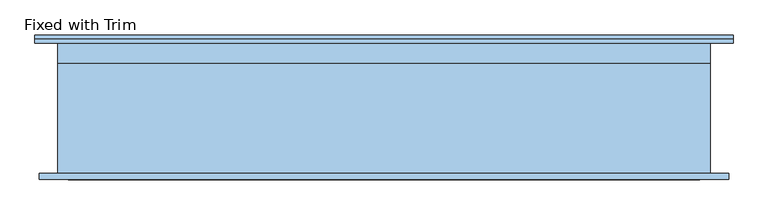
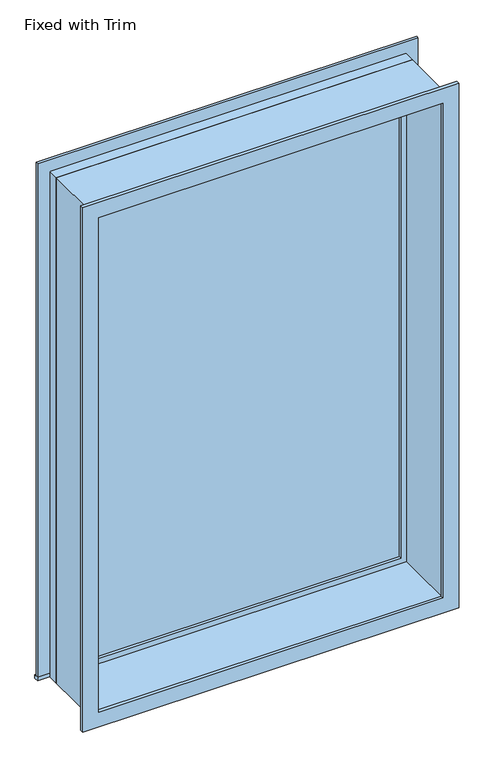
"""IFC4 building model written with IfcOpenShell, lengths in millimetres: window geometry, Fixed with Trim."""

from ifc_helpers import new_model, si_unit, frame, origin, place, context, project, spatial, polyline, outline, extrude, source, transform, mapped, element, save


def fixed_with_trim_aa18837c(model_context):
    return source(origin(), model_context, "Body", "SweptSolid", [
        extrude(outline(polyline([(-1107.95, 225.4), (1031.75, 225.4), (1031.75, 200.0), (-1107.95, 200.0), (-1107.95, 225.4)])), frame((0.0, 0.0, 914.4), z_axis=(0.0, 0.0, 1.0), x_axis=(1.0, 0.0, 0.0)), (0.0, 0.0, 1.0), 19.05),
        extrude(outline(polyline([(3895.35, -1019.05), (3895.35, 942.85), (933.45, 942.85), (933.45, 1031.75), (3984.25, 1031.75), (3984.25, -1107.95), (933.45, -1107.95), (933.45, -1019.05), (3895.35, -1019.05)])), frame((0.0, 200.0, 0.0), z_axis=(0.0, 1.0, 0.0), x_axis=(0.0, 0.0, 1.0)), (0.0, 0.0, 1.0), 12.7),
        extrude(outline(polyline([(3971.55, 1019.05), (3971.55, -1095.25), (857.25, -1095.25), (857.25, 1019.05), (3971.55, 1019.05)]), holes=[polyline([(3882.65, 930.15), (946.15, 930.15), (946.15, -1006.35), (3882.65, -1006.35), (3882.65, 930.15)])]), frame((0.0, -219.05, 0.0), z_axis=(0.0, 1.0, 0.0), x_axis=(0.0, 0.0, 1.0)), (0.0, 0.0, 1.0), 19.05),
        extrude(outline(polyline([(898.4, 152.375), (-974.6, 152.375), (-974.6, 165.075), (898.4, 165.075), (898.4, 152.375)])), frame((0.0, 0.0, 977.9), z_axis=(0.0, 0.0, 1.0), x_axis=(1.0, 0.0, 0.0)), (0.0, 0.0, 1.0), 2873.0),
        extrude(outline(polyline([(3895.35, -1019.05), (933.45, -1019.05), (933.45, 942.85), (3895.35, 942.85), (3895.35, -1019.05)]), holes=[polyline([(3850.9, -974.6), (3850.9, 898.4), (977.9, 898.4), (977.9, -974.6), (3850.9, -974.6)])]), frame((0.0, 136.5, 0.0), z_axis=(0.0, 1.0, 0.0), x_axis=(0.0, 0.0, 1.0)), (0.0, 0.0, 1.0), 44.45),
        extrude(outline(polyline([(3914.4, -1038.1), (914.4, -1038.1), (914.4, 961.9), (3914.4, 961.9), (3914.4, -1038.1)]), holes=[polyline([(3882.65, -1006.35), (3882.65, 930.15), (946.15, 930.15), (946.15, -1006.35), (3882.65, -1006.35)])]), frame((0.0, -200.0, 0.0), z_axis=(0.0, 1.0, 0.0), x_axis=(0.0, 0.0, 1.0)), (0.0, 0.0, 1.0), 336.5),
        extrude(outline(polyline([(3914.4, 961.9), (3914.4, -1038.1), (914.4, -1038.1), (914.4, 961.9), (3914.4, 961.9)]), holes=[polyline([(3895.35, 942.85), (933.45, 942.85), (933.45, -1019.05), (3895.35, -1019.05), (3895.35, 942.85)])]), frame((0.0, 136.5, 0.0), z_axis=(0.0, 1.0, 0.0), x_axis=(0.0, 0.0, 1.0)), (0.0, 0.0, 1.0), 63.5),
    ])


if __name__ == "__main__":
    model = new_model("IFC4")
    model_context = context("Model", 3, world=origin())
    ifc_project = project(units=[si_unit("LENGTHUNIT", "METRE", prefix="MILLI")], contexts=[model_context])
    site = spatial("IfcSite", under=ifc_project)
    building = spatial("IfcBuilding", under=site)
    placement = place(None, origin())
    fixed_with_trim_shape = fixed_with_trim_aa18837c(model_context)
    element("IfcWindow", 1, ObjectType="Fixed with Trim", at=placement, inside=building, context=model_context, shape_type="MappedRepresentation", body=[
        mapped(fixed_with_trim_shape, transform((0.0, 0.0, 0.0), x_axis=(1.0, 0.0, 0.0), y_axis=(0.0, 1.0, 0.0), z_axis=(0.0, 0.0, 1.0))),
    ])
    save(model, "model.ifc")
